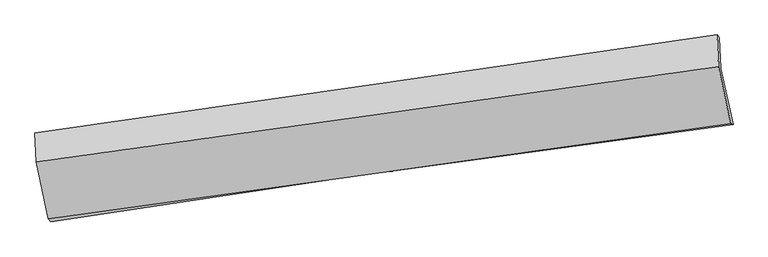
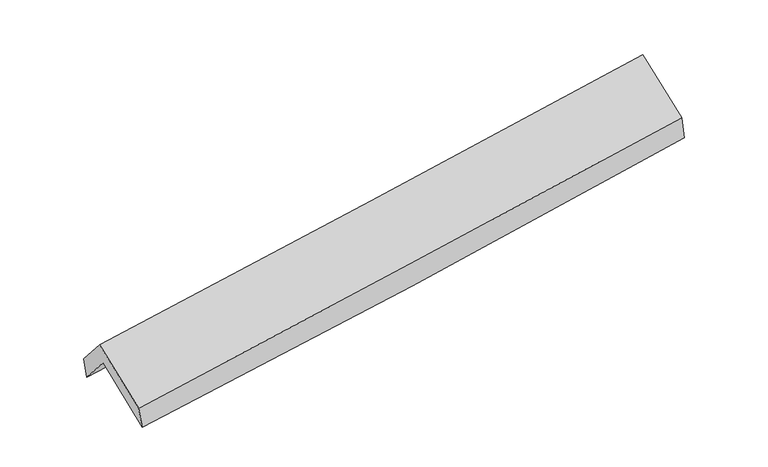
"""IFC4 building model written with IfcOpenShell, lengths in millimetres: proxy geometry."""

from ifc_helpers import new_model, si_unit, frame, origin, place, context, project, spatial, source, transform, mapped, element, save
from ifc_brep_helpers import plane_surface, spline_curve, spline_surface, advanced_brep


def generic_models_0331093c(model_context):
    return source(origin(), model_context, "Body", "AdvancedBrep", [
        advanced_brep(
        [(-2908.1053055, -2508.9707044, 1449.1953159), (-3014.7409509, -2011.6205985, 1876.4164914), (2953.8928345, -1163.5340011, 2383.1562708), (3063.5841102, -1655.0347555, 1933.9333316), (-3025.6342718, -1746.5809346, 1564.3380164), (2942.8456897, -894.7517289, 2066.6709554), (-3044.553538, -1728.0594816, 1755.8984462), (2923.2366486, -869.3794053, 2250.0616279), (-3034.0512303, -1983.5856105, 2056.7749394), (2936.5371874, -1148.3348923, 2557.4443739), (-2928.6050575, -2483.6320644, 1648.0079963), (3043.1197654, -1644.744796, 2152.0284524)],
        [
            (0, 1),
            (1, 2, spline_curve(3, [(-3014.7409509, -2011.6205985, 1876.4164914), (-2018.826256359, -1861.327493898, 1930.333068646), (-1023.563277936, -1715.51778769, 1999.510353259), (965.981739797, -1432.819347454, 2168.413714843), (1960.26335659, -1295.933521387, 2268.149690384), (2953.8928345, -1163.5340011, 2383.1562708)], [4, 2, 4], [0.0, 9.926005920746338, 19.85523026467577])),
            (2, 3),
            (3, 0, spline_curve(3, [(3063.5841102, -1655.0347555, 1933.9333316), (2068.715295964, -1781.696076753, 1819.640504209), (1073.559392623, -1916.200872381, 1722.095422307), (-917.0039317, -2200.851272361, 1560.526938852), (-1912.411167472, -2350.991793161, 1496.492682497), (-2908.1053055, -2508.9707044, 1449.1953159)], [4, 2, 4], [0.0, 9.929224343929434, 19.85523026467577])),
            (1, 4),
            (4, 5, spline_curve(3, [(-3025.6342718, -1746.5809346, 1564.3380164), (-2029.605199712, -1599.070690611, 1621.531351692), (-1034.297837664, -1454.340857338, 1691.980163099), (955.195950821, -1170.395985166, 1859.415878906), (1949.38190955, -1031.182750273, 1956.411380379), (2942.8456897, -894.7517289, 2066.6709554)], [4, 2, 4], [0.0, 9.923919255779376, 19.85105625815844])),
            (5, 2),
            (4, 6),
            (6, 7, spline_curve(3, [(-3044.553538, -1728.0594816, 1755.8984462), (-2048.725374991, -1587.838149342, 1826.739015015), (-1053.575946659, -1446.18264174, 1903.331956576), (935.687889342, -1159.956880045, 2068.049286394), (1929.801856475, -1015.385695513, 2156.177405028), (2923.2366486, -869.3794053, 2250.0616279)], [4, 2, 4], [0.0, 9.92288374344566, 19.84898489773492])),
            (7, 5),
            (6, 8),
            (8, 9, spline_curve(3, [(-3034.0512303, -1983.5856105, 2056.7749394), (-2038.423293815, -1845.931209488, 2134.149857498), (-1043.140884547, -1707.511189235, 2214.552515671), (947.055478987, -1429.094779802, 2381.440363327), (1941.969208733, -1289.097894143, 2467.92751667), (2936.5371874, -1148.3348923, 2557.4443739)], [4, 2, 4], [0.0, 9.922169598294593, 19.847556375877282])),
            (9, 7),
            (8, 10),
            (10, 11, spline_curve(3, [(-2928.6050575, -2483.6320644, 1648.0079963), (-1932.59462675, -2346.315105925, 1725.025507533), (-937.026269864, -2207.760886406, 1805.528594339), (1053.548958116, -1928.132599392, 1973.533152272), (2048.555542065, -1787.057729308, 2061.036884008), (3043.1197654, -1644.744796, 2152.0284524)], [4, 2, 4], [0.0, 9.923710745672556, 19.850639170337168])),
            (11, 9),
            (10, 0),
            (3, 11),
        ],
        [
            spline_surface(3, 3, [[(-2908.1053055, -2508.9707044, 1449.1953159), (-1912.411167335, -2350.9917931, 1496.492682358), (-917.003931864, -2200.85127246, 1560.52693897), (1073.559392787, -1916.200872282, 1722.095422189), (2068.715295878, -1781.696076604, 1819.640504141), (3063.5841102, -1655.0347555, 1933.9333316)], [(-2943.650520639, -2343.187335782, 1591.602374411), (-1947.882863642, -2187.770360095, 1641.106144446), (-952.523713903, -2039.073444214, 1706.854743658), (1037.700175137, -1755.073697307, 1870.868186432), (2032.564649477, -1619.775224807, 1969.143566195), (3027.020351613, -1491.201170688, 2083.674311342)], [(-2979.195735761, -2177.403967118, 1734.009432889), (-1983.354559931, -2024.548927046, 1785.719606502), (-988.04349594, -1877.295616, 1853.182548421), (1001.840957489, -1593.946522364, 2019.64095075), (1996.414003137, -1457.854373045, 2118.646628224), (2990.456593087, -1327.367585912, 2233.415291058)], [(-3014.7409509, -2011.6205985, 1876.4164914), (-2018.826256238, -1861.327494042, 1930.333068591), (-1023.563277978, -1715.517787754, 1999.510353109), (965.981739839, -1432.81934739, 2168.413714993), (1960.263356737, -1295.933521248, 2268.149690278), (2953.8928345, -1163.5340011, 2383.1562708)]], [4, 4], [4, 2, 4], [0.0, 2.1812192603799385], [0.0, 9.926005920746338, 19.85523026467577]),
            spline_surface(3, 3, [[(-3014.7409509, -2011.6205985, 1876.4164914), (-2018.826256238, -1861.327494042, 1930.333068591), (-1023.563277978, -1715.517787754, 1999.510353109), (965.981739839, -1432.81934739, 2168.413714993), (1960.263356737, -1295.933521248, 2268.149690278), (2953.8928345, -1163.5340011, 2383.1562708)], [(-3018.372057864, -1923.274043859, 1772.390333054), (-2022.419237344, -1773.908559587, 1827.399162963), (-1027.141464567, -1628.458810934, 1897.000289814), (962.386476839, -1345.344893387, 2065.414436297), (1956.636207675, -1207.683264248, 2164.236920324), (2950.210452905, -1073.939910372, 2277.66116568)], [(-3022.003164836, -1834.927489241, 1668.364174746), (-2026.012218459, -1686.489625157, 1724.465257373), (-1030.719651124, -1541.399834029, 1794.490226457), (958.791213871, -1257.870439299, 1962.415157538), (1953.009058598, -1119.433007232, 2060.32415033), (2946.528071295, -984.345819628, 2172.16606052)], [(-3025.6342718, -1746.5809346, 1564.3380164), (-2029.605199566, -1599.070690702, 1621.531351745), (-1034.297837713, -1454.340857208, 1691.980163163), (955.19595087, -1170.395985296, 1859.415878842), (1949.381909536, -1031.182750232, 1956.411380376), (2942.8456897, -894.7517289, 2066.6709554)]], [4, 4], [4, 2, 4], [0.0, 1.3273503490668417], [0.0, 9.923919255779376, 19.85105625815844]),
            spline_surface(3, 3, [[(-3025.6342718, -1746.5809346, 1564.3380164), (-2029.605199566, -1599.070690702, 1621.531351745), (-1034.297837713, -1454.340857208, 1691.980163163), (955.19595087, -1170.395985296, 1859.415878842), (1949.381909536, -1031.182750232, 1956.411380376), (2942.8456897, -894.7517289, 2066.6709554)], [(-3031.940693882, -1740.407116926, 1628.191493001), (-2035.978591354, -1595.326510288, 1689.93390612), (-1040.723873984, -1451.621452069, 1762.430760977), (948.693263657, -1166.916283497, 1928.960347983), (1942.855225154, -1025.917065323, 2023.000055264), (2936.309342664, -886.294287718, 2127.801179559)], [(-3038.247115918, -1734.233299274, 1692.044969599), (-2042.351983095, -1591.582329895, 1758.336460492), (-1047.149910266, -1448.902046977, 1832.88135884), (942.190576432, -1163.436581746, 1998.504817174), (1936.328540781, -1020.651380359, 2089.588730175), (2929.772995636, -877.836846482, 2188.931403741)], [(-3044.553538, -1728.0594816, 1755.8984462), (-2048.725374883, -1587.838149481, 1826.739014868), (-1053.575946537, -1446.182641837, 1903.331956654), (935.68788922, -1159.956879947, 2068.049286315), (1929.8018564, -1015.385695449, 2156.177405064), (2923.2366486, -869.3794053, 2250.0616279)]], [4, 4], [4, 2, 4], [0.0, 0.6925547004162775], [0.0, 9.92288374344566, 19.84898489773492]),
            spline_surface(3, 3, [[(-3044.553538, -1728.0594816, 1755.8984462), (-2048.725374883, -1587.838149481, 1826.739014868), (-1053.575946537, -1446.182641837, 1903.331956654), (935.68788922, -1159.956879947, 2068.049286315), (1929.8018564, -1015.385695449, 2156.177405064), (2923.2366486, -869.3794053, 2250.0616279)], [(-3041.052768747, -1813.234857911, 1856.190610612), (-2045.291347797, -1673.869169536, 1929.209295772), (-1050.0975925, -1533.292157645, 2007.072142993), (939.477085783, -1249.669513224, 2172.512978683), (1933.857640576, -1106.623094982, 2260.09410897), (2927.670161546, -962.364567635, 2352.522543231)], [(-3037.551999553, -1898.410234189, 1956.482774988), (-2041.857320771, -1759.900189559, 2031.679576642), (-1046.619238484, -1620.401673453, 2110.812329287), (943.266282324, -1339.3821465, 2276.976671005), (1937.913424714, -1197.860494509, 2364.010812883), (2932.103674454, -1055.349729965, 2454.983458569)], [(-3034.0512303, -1983.5856105, 2056.7749394), (-2038.423293685, -1845.931209615, 2134.149857547), (-1043.140884447, -1707.51118926, 2214.552515627), (947.055478888, -1429.094779777, 2381.440363372), (1941.96920889, -1289.097894041, 2467.927516789), (2936.5371874, -1148.3348923, 2557.4443739)]], [4, 4], [4, 2, 4], [0.0, 1.344757483321865], [0.0, 9.922169598294593, 19.847556375877282]),
            spline_surface(3, 3, [[(-3034.0512303, -1983.5856105, 2056.7749394), (-2038.423293685, -1845.931209615, 2134.149857547), (-1043.140884447, -1707.51118926, 2214.552515627), (947.055478888, -1429.094779777, 2381.440363372), (1941.96920889, -1289.097894041, 2467.927516789), (2936.5371874, -1148.3348923, 2557.4443739)], [(-2998.902506058, -2150.267761789, 1920.519291706), (-2003.147071377, -2012.725841683, 1997.775074179), (-1007.769346194, -1874.261088295, 2078.211208524), (982.553305263, -1595.44071964, 2245.471293018), (1977.497986569, -1455.084505799, 2332.297305899), (2972.064713389, -1313.804860172, 2422.305733398)], [(-2963.753781742, -2316.949913111, 1784.263643994), (-1967.870848996, -2179.520473783, 1861.400290792), (-972.397807978, -2041.010987364, 1941.869901413), (1018.051131601, -1761.786659537, 2109.502222655), (2013.026764281, -1621.071117639, 2196.667095017), (3007.592239411, -1479.274828128, 2287.167092902)], [(-2928.6050575, -2483.6320644, 1648.0079963), (-1932.594626688, -2346.315105852, 1725.025507424), (-937.026269724, -2207.760886399, 1805.528594311), (1053.548957976, -1928.1325994, 1973.533152301), (2048.55554196, -1787.057729397, 2061.036884127), (3043.1197654, -1644.744796, 2152.0284524)]], [4, 4], [4, 2, 4], [0.0, 2.145850440297444], [0.0, 9.923710745672556, 19.850639170337168]),
            spline_surface(3, 3, [[(-2928.6050575, -2483.6320644, 1648.0079963), (-1932.594626688, -2346.315105852, 1725.025507424), (-937.026269724, -2207.760886399, 1805.528594311), (1053.548957976, -1928.1325994, 1973.533152301), (2048.55554196, -1787.057729397, 2061.036884127), (3043.1197654, -1644.744796, 2152.0284524)], [(-2921.771806809, -2492.078277733, 1581.737102816), (-1925.86680688, -2347.874001601, 1648.847899051), (-930.352157117, -2205.457681762, 1723.861375867), (1060.2191029, -1924.155357037, 1889.7205756), (2055.275459949, -1785.270511813, 1980.571424122), (3049.941213683, -1648.174782514, 2079.33007879)], [(-2914.938556191, -2500.524491067, 1515.466209384), (-1919.138987143, -2349.432897351, 1572.670290731), (-923.678044471, -2203.154477097, 1642.194157414), (1066.889247863, -1920.178114645, 1805.90799889), (2061.995377888, -1783.483294188, 1900.105964146), (3056.762661917, -1651.604768986, 2006.63170521)], [(-2908.1053055, -2508.9707044, 1449.1953159), (-1912.411167335, -2350.9917931, 1496.492682358), (-917.003931864, -2200.85127246, 1560.52693897), (1073.559392787, -1916.200872282, 1722.095422189), (2068.715295878, -1781.696076604, 1819.640504141), (3063.5841102, -1655.0347555, 1933.9333316)]], [4, 4], [4, 2, 4], [0.0, 0.8176005292157484], [0.0, 9.926235379064003, 19.855689255711013]),
            plane_surface(frame((2977.202706, -1229.2965965, 2223.882502), z_axis=(0.9861903610988707, 0.14162483401742898, 0.0858544003835261), x_axis=(0.164042185244727, -0.7640288583783257, -0.6239792184241774))),
            plane_surface(frame((-2992.615059, -2077.074899, 1725.1052009), z_axis=(-0.9866666812411148, -0.13942179682763592, -0.08396679521095102), x_axis=(-0.10175263667616787, 0.1257709566767661, 0.9868272733290557))),
        ],
        [
            (0, [[1, 2, 3, 4]]),
            (1, [[5, 6, 7, -2]]),
            (2, [[8, 9, 10, -6]]),
            (3, [[11, 12, 13, -9]]),
            (4, [[14, 15, 16, -12]]),
            (5, [[17, -4, 18, -15]]),
            (6, [[-16, -18, -3, -7, -10, -13]]),
            (7, [[-17, -14, -11, -8, -5, -1]]),
        ],
    ),
    ])


if __name__ == "__main__":
    model = new_model("IFC4")
    model_context = context("Model", 3, world=origin())
    ifc_project = project(units=[si_unit("LENGTHUNIT", "METRE", prefix="MILLI")], contexts=[model_context])
    site = spatial("IfcSite", under=ifc_project)
    building = spatial("IfcBuilding", under=site)
    placement = place(None, origin())
    generic_models_shape = generic_models_0331093c(model_context)
    element("IfcBuildingElementProxy", 1, Name="Generic Models", at=placement, inside=building, context=model_context, shape_type="MappedRepresentation", body=[
        mapped(generic_models_shape, transform((0.0, 0.0, 0.0), x_axis=(1.0, 0.0, 0.0), y_axis=(0.0, 1.0, 0.0), z_axis=(0.0, 0.0, 1.0))),
    ])
    save(model, "model.ifc")
